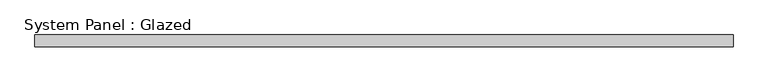
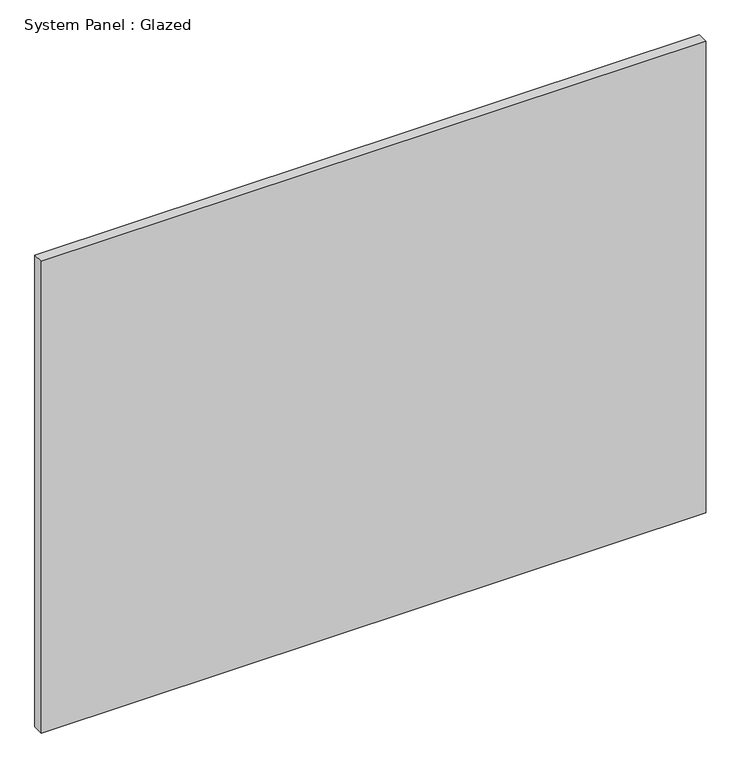
"""IFC4 building model written with IfcOpenShell, lengths in millimetres: plate geometry, System Panel : Glazed."""

from ifc_helpers import new_model, si_unit, origin, origin_with_axes, place, context, project, spatial, polyline, outline, extrude, source, transform, mapped, element, save


def system_panel_glazed_e1dff57c(model_context):
    return source(origin(), model_context, "Body", "SweptSolid", [
        extrude(outline(polyline([(762.2245515, -12.7), (-762.2245515, -12.7), (-762.2245515, 12.7), (762.2245515, 12.7), (762.2245515, -12.7)])), origin_with_axes(), (0.0, 0.0, 1.0), 1143.0),
    ])


if __name__ == "__main__":
    model = new_model("IFC4")
    model_context = context("Model", 3, world=origin())
    ifc_project = project(units=[si_unit("LENGTHUNIT", "METRE", prefix="MILLI")], contexts=[model_context])
    site = spatial("IfcSite", under=ifc_project)
    building = spatial("IfcBuilding", under=site)
    placement = place(None, origin())
    system_panel_glazed_shape = system_panel_glazed_e1dff57c(model_context)
    element("IfcPlate", 1, ObjectType="System Panel : Glazed", at=placement, inside=building, context=model_context, shape_type="MappedRepresentation", body=[
        mapped(system_panel_glazed_shape, transform((0.0, 0.0, 0.0), x_axis=(1.0, 0.0, 0.0), y_axis=(0.0, 1.0, 0.0), z_axis=(0.0, 0.0, 1.0))),
    ])
    save(model, "model.ifc")
